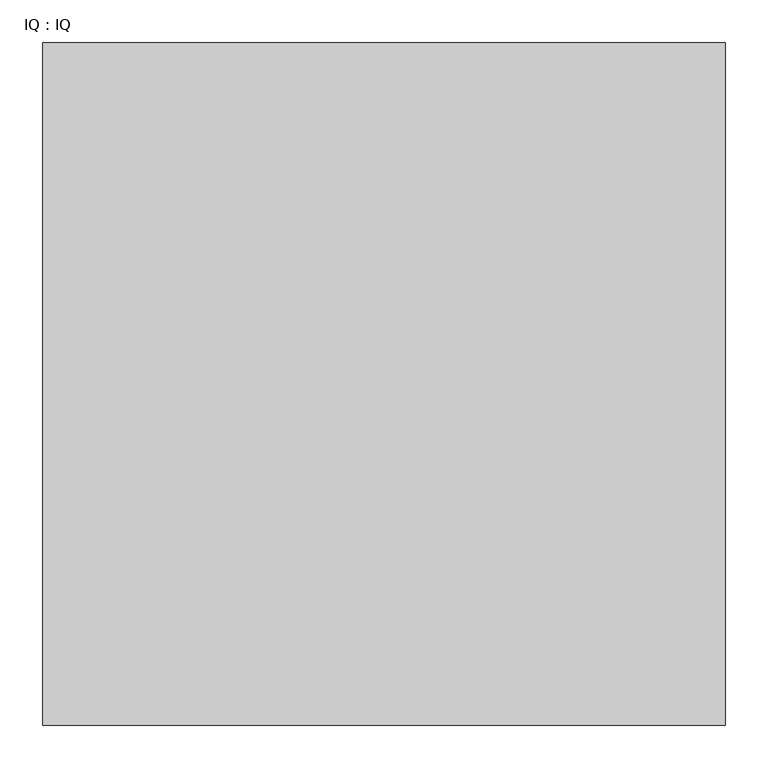
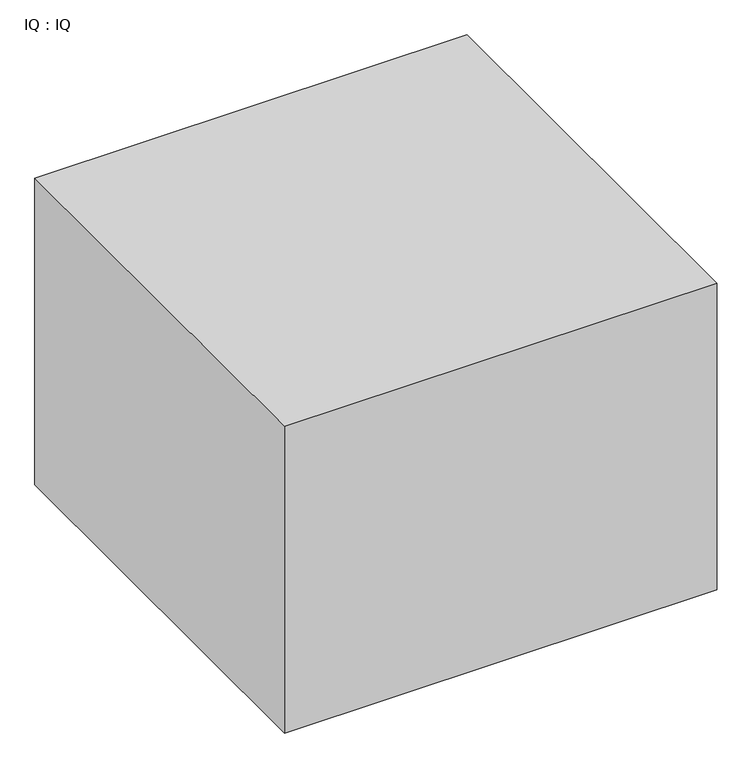
"""IFC4 building model written with IfcOpenShell, lengths in millimetres: proxy geometry, IQ : IQ."""

from ifc_helpers import new_model, si_unit, frame, origin, place, context, project, spatial, polyline, outline, extrude, source, transform, mapped, element, save


def iq_iq_d3047cae(model_context):
    return source(origin(), model_context, "Body", "SweptSolid", [
        extrude(outline(polyline([(800.0, 800.0), (800.0, 0.0), (0.0, 0.0), (0.0, 800.0), (800.0, 800.0)])), frame((0.0, 0.0, 200.0), z_axis=(0.0, 0.0, 1.0), x_axis=(1.0, 0.0, 0.0)), (0.0, 0.0, 1.0), 600.0),
    ])


if __name__ == "__main__":
    model = new_model("IFC4")
    model_context = context("Model", 3, world=origin())
    ifc_project = project(units=[si_unit("LENGTHUNIT", "METRE", prefix="MILLI")], contexts=[model_context])
    site = spatial("IfcSite", under=ifc_project)
    building = spatial("IfcBuilding", under=site)
    placement = place(None, origin())
    iq_iq_shape = iq_iq_d3047cae(model_context)
    element("IfcBuildingElementProxy", 1, Name="IQ : IQ", ObjectType="IQ : IQ", at=placement, inside=building, context=model_context, shape_type="MappedRepresentation", body=[
        mapped(iq_iq_shape, transform((0.0, 0.0, 0.0), x_axis=(1.0, 0.0, 0.0), y_axis=(0.0, 1.0, 0.0), z_axis=(0.0, 0.0, 1.0))),
    ])
    save(model, "model.ifc")
